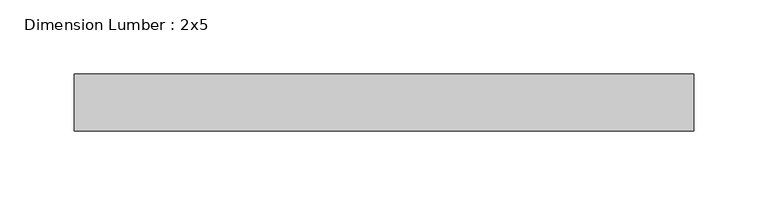
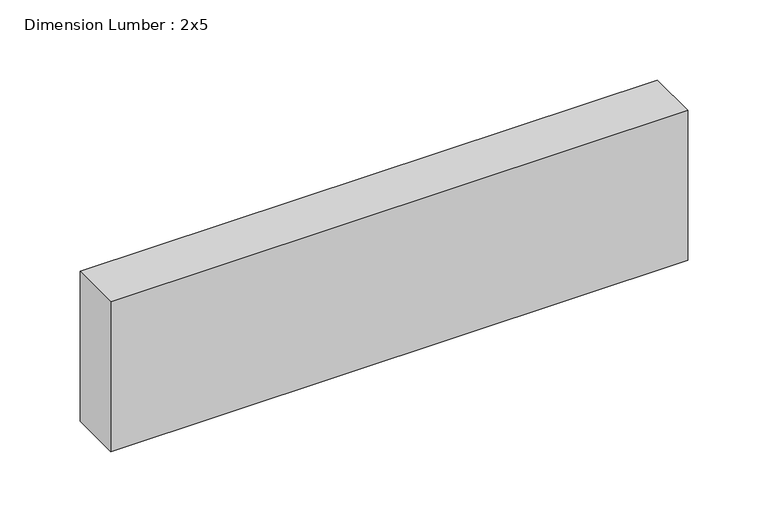
"""IFC4 building model written with IfcOpenShell, lengths in millimetres: beam geometry, Dimension Lumber : 2x5."""

from ifc_helpers import new_model, si_unit, frame, origin, place, context, project, spatial, polyline, outline, extrude, source, transform, mapped, element, save


def dimension_lumber_2x5_fde3cd54(model_context):
    return source(origin(), model_context, "Body", "SweptSolid", [
        extrude(outline(polyline([(208.134581, 19.05), (208.134581, -19.05), (-208.134581, -19.05), (-208.134581, 19.05), (208.134581, 19.05)])), frame((0.0, 0.0, -57.15), z_axis=(0.0, 0.0, 1.0), x_axis=(1.0, 0.0, 0.0)), (0.0, 0.0, 1.0), 114.3),
    ])


if __name__ == "__main__":
    model = new_model("IFC4")
    model_context = context("Model", 3, world=origin())
    ifc_project = project(units=[si_unit("LENGTHUNIT", "METRE", prefix="MILLI")], contexts=[model_context])
    site = spatial("IfcSite", under=ifc_project)
    building = spatial("IfcBuilding", under=site)
    placement = place(None, origin())
    dimension_lumber_2x5_shape = dimension_lumber_2x5_fde3cd54(model_context)
    element("IfcBeam", 1, ObjectType="Dimension Lumber : 2x5", at=placement, inside=building, context=model_context, shape_type="MappedRepresentation", body=[
        mapped(dimension_lumber_2x5_shape, transform((0.0, 0.0, 0.0), x_axis=(1.0, 0.0, 0.0), y_axis=(0.0, 1.0, 0.0), z_axis=(0.0, 0.0, 1.0))),
    ])
    save(model, "model.ifc")
